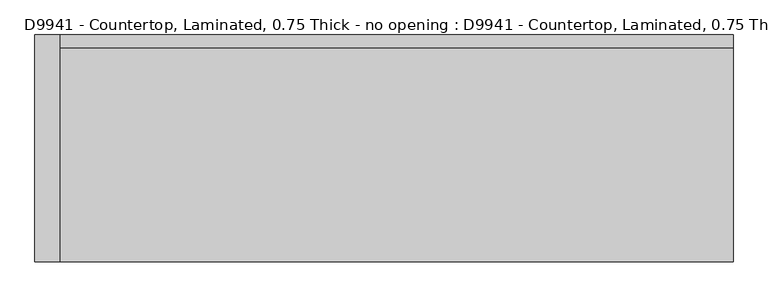
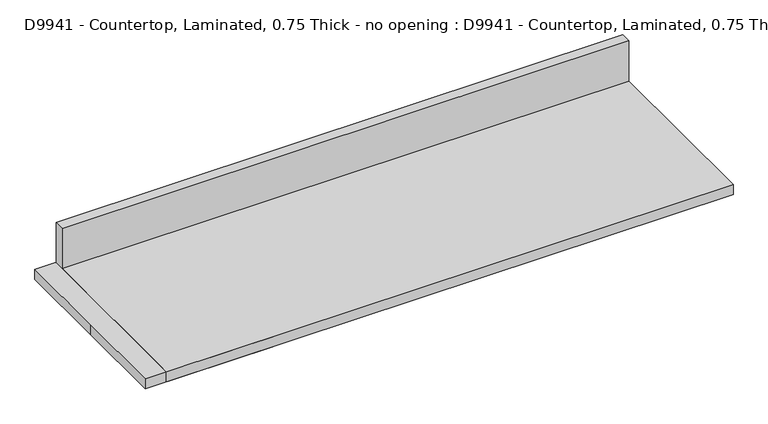
"""IFC4 building model written with IfcOpenShell, lengths in millimetres: proxy geometry, D9941 - Countertop, Laminated, 0.75 Thick - no opening : D9941 - Countertop, Laminated, 0.75 Thick - no opening."""

from ifc_helpers import new_model, si_unit, frame, origin, origin_with_axes, place, context, project, spatial, polyline, outline, extrude, source, transform, mapped, element, save


def d9941_countertop_laminated_0_75_thick_no_opening_d9941_c0569dc0(model_context):
    return source(origin(), model_context, "Body", "SweptSolid", [
        extrude(outline(polyline([(-228.6, 0.0), (-228.6, 25.4), (203.2, 25.4), (203.2, 127.0), (228.6, 127.0), (228.6, 0.0), (-228.6, 0.0)])), frame((-101.6, 0.0, 0.0), z_axis=(1.0, 0.0, 0.0), x_axis=(0.0, 1.0, 0.0)), (0.0, 0.0, 1.0), 1356.4300214),
        extrude(outline(polyline([(-152.4, 228.6), (152.4, 228.6), (152.4, -228.6), (-152.4, -228.6), (-152.4, 0.0), (-152.4, 228.6)])), origin_with_axes(), (0.0, 0.0, 1.0), 25.4),
    ])


if __name__ == "__main__":
    model = new_model("IFC4")
    model_context = context("Model", 3, world=origin())
    ifc_project = project(units=[si_unit("LENGTHUNIT", "METRE", prefix="MILLI")], contexts=[model_context])
    site = spatial("IfcSite", under=ifc_project)
    building = spatial("IfcBuilding", under=site)
    placement = place(None, origin())
    d9941_countertop_laminated_0_75_thick_no_opening_d9941_shape = d9941_countertop_laminated_0_75_thick_no_opening_d9941_c0569dc0(model_context)
    element("IfcBuildingElementProxy", 1, Name="D9941 - Countertop, Laminated, 0.75 Thick - no opening : D9941 - Countertop, Laminated, 0.75 Thick - no opening", ObjectType="D9941 - Countertop, Laminated, 0.75 Thick - no opening : D9941 - Countertop, Laminated, 0.75 Thick - no opening", at=placement, inside=building, context=model_context, shape_type="MappedRepresentation", body=[
        mapped(d9941_countertop_laminated_0_75_thick_no_opening_d9941_shape, transform((0.0, 0.0, 0.0), x_axis=(1.0, 0.0, 0.0), y_axis=(0.0, 1.0, 0.0), z_axis=(0.0, 0.0, 1.0))),
    ])
    save(model, "model.ifc")
